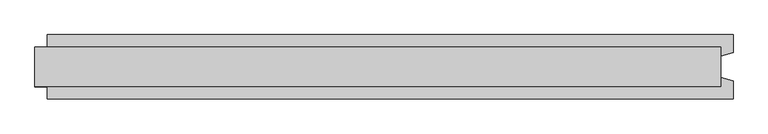
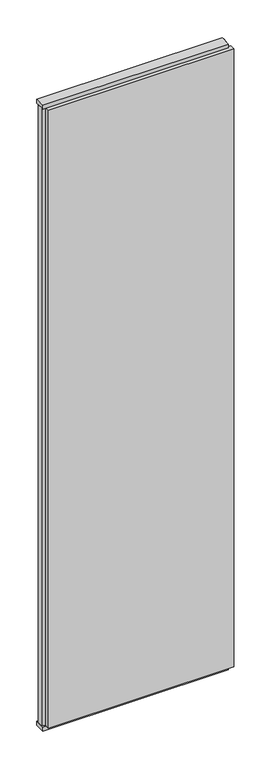
"""IFC4 building model written with IfcOpenShell, lengths in millimetres: plate geometry."""

from ifc_helpers import new_model, si_unit, frame, origin, origin_with_axes, place, context, project, spatial, polyline, outline, extrude, source, transform, mapped, element, save


def plate_ff876e44(model_context):
    return source(origin(), model_context, "Body", "SweptSolid", [
        extrude(outline(polyline([(580.5, 52.5), (580.5, 22.9993165), (560.5, 17.6401049), (560.5, -17.6401049), (580.5, -22.9993165), (580.5, -52.5), (-540.5, -52.5), (-540.5, -22.9993165), (-560.5, -17.6401049), (-560.5, 17.6401049), (-540.5, 22.9993165), (-540.5, 52.5), (580.5, 52.5)])), frame((0.0, 0.0, 25.0), z_axis=(0.0, 0.0, 1.0), x_axis=(1.0, 0.0, 0.0)), (0.0, 0.0, 1.0), 3950.0),
        extrude(outline(polyline([(560.5, 32.0), (560.5, -32.0), (-560.5, -32.0), (-560.5, 32.0), (560.5, 32.0)])), origin_with_axes(), (0.0, 0.0, 1.0), 25.0),
        extrude(outline(polyline([(560.5, 32.0), (560.5, -32.0), (-560.5, -32.0), (-560.5, 32.0), (560.5, 32.0)])), frame((0.0, 0.0, 3975.0), z_axis=(0.0, 0.0, 1.0), x_axis=(1.0, 0.0, 0.0)), (0.0, 0.0, 1.0), 25.0),
    ])


if __name__ == "__main__":
    model = new_model("IFC4")
    model_context = context("Model", 3, world=origin())
    ifc_project = project(units=[si_unit("LENGTHUNIT", "METRE", prefix="MILLI")], contexts=[model_context])
    site = spatial("IfcSite", under=ifc_project)
    building = spatial("IfcBuilding", under=site)
    placement = place(None, origin())
    plate_shape = plate_ff876e44(model_context)
    element("IfcPlate", 1, at=placement, inside=building, context=model_context, shape_type="MappedRepresentation", body=[
        mapped(plate_shape, transform((0.0, 0.0, 0.0), x_axis=(1.0, 0.0, 0.0), y_axis=(0.0, 1.0, 0.0), z_axis=(0.0, 0.0, 1.0))),
    ])
    save(model, "model.ifc")
